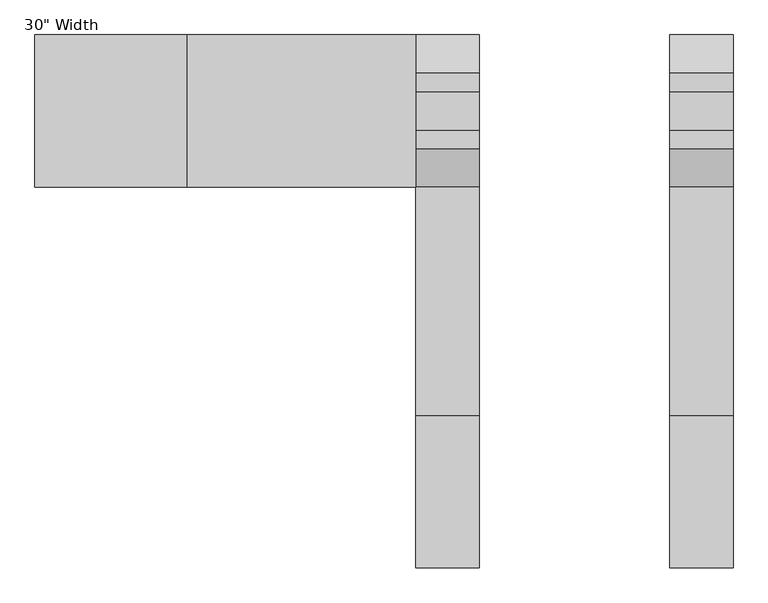
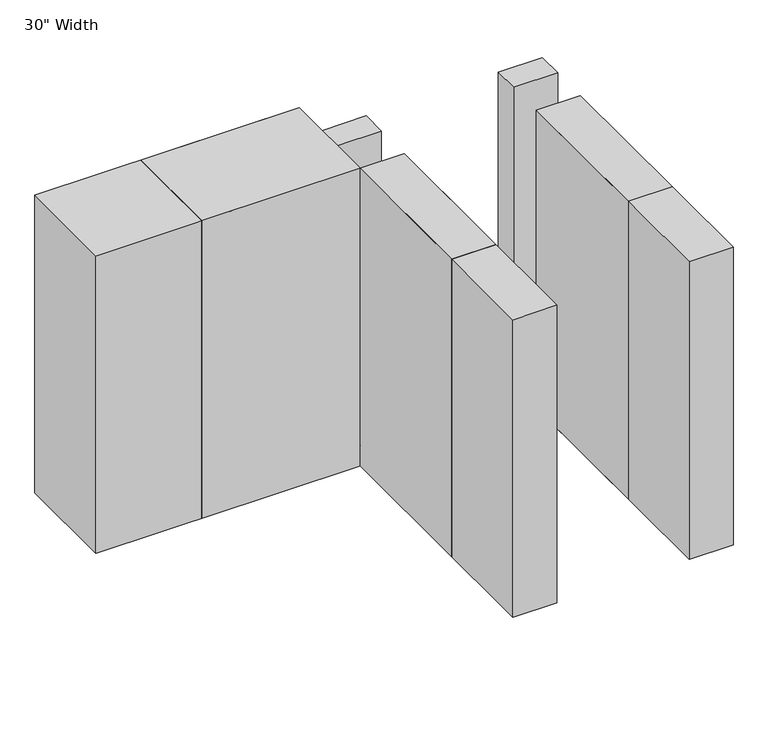
"""IFC4 building model written with IfcOpenShell, lengths in millimetres: proxy geometry."""

import ifcopenshell
import ifcopenshell.guid

model = None  # the IFC model being written
_history = None  # IfcOwnerHistory: only IFC2X3 demands one
_inside = {}  # id of a spatial element -> (the spatial element, [elements in it])
_under = {}  # id of a project, library or spatial element -> (it, [spatial elements below it])
_declared = {}  # id of a project -> (the project, [libraries it declares])
_typed = {}  # id of a type object -> (the type object, [elements of that type])
_made_of = {}  # id of a material, layer set ... -> (it, [elements and type objects made of it])


def new_model(schema):
    """Start an empty IFC model of exactly this schema.

    Asked for "IFC4X3", IfcOpenShell would pick the latest addendum, in which some entities
    have other attributes; the version numbers below select the first issue.
    IFC2X3 requires an IfcOwnerHistory on every rooted entity: one is made here for all.
    """
    global model, _history
    if schema == "IFC4X3":
        model = ifcopenshell.file(schema_version=(4, 3, 0, 0))
    else:
        model = ifcopenshell.file(schema=schema)
    _inside.clear()
    _under.clear()
    _declared.clear()
    _typed.clear()
    _made_of.clear()
    _history = None
    if model.schema == "IFC2X3":
        org = make("IfcOrganization", Name="unknown")
        user = make(
            "IfcPersonAndOrganization",
            ThePerson=make("IfcPerson", FamilyName="unknown"),
            TheOrganization=org,
        )
        app = make(
            "IfcApplication",
            ApplicationDeveloper=org,
            Version="unknown",
            ApplicationFullName="unknown",
            ApplicationIdentifier="unknown",
        )
        _history = make(
            "IfcOwnerHistory",
            OwningUser=user,
            OwningApplication=app,
            ChangeAction="ADDED",
            CreationDate=0,
        )
    return model


def make(cls, **values):
    """One entity of the class cls with the attributes given. An attribute that is None is left unset."""
    return model.create_entity(
        cls, **{name: value for name, value in values.items() if value is not None}
    )


def rooted(cls, **values):
    """An entity with a GlobalId (a new one), such as an element, a storey or a relation."""
    return make(cls, GlobalId=ifcopenshell.guid.new(), OwnerHistory=_history, **values)


def si_unit(unit_type, name, prefix=None):
    """IfcSIUnit, for example si_unit("LENGTHUNIT", "METRE", prefix="MILLI")."""
    return make("IfcSIUnit", UnitType=unit_type, Prefix=prefix, Name=name)


def assignment(units):
    """IfcUnitAssignment: the units of a project."""
    return None if units is None else make("IfcUnitAssignment", Units=units)


def point(xyz):
    """IfcCartesianPoint."""
    return None if xyz is None else make("IfcCartesianPoint", Coordinates=xyz)


def direction(xyz):
    """IfcDirection."""
    return None if xyz is None else make("IfcDirection", DirectionRatios=xyz)


def frame(location, z_axis=None, x_axis=None):
    """IfcAxis2Placement3D, a coordinate frame: its origin and axes. An axis left out is left unset."""
    return make(
        "IfcAxis2Placement3D",
        Location=point(location),
        Axis=direction(z_axis),
        RefDirection=direction(x_axis),
    )


def origin():
    """The frame at (0, 0, 0) with its axes left unset."""
    return frame((0.0, 0.0, 0.0))


def origin_with_axes():
    """The frame at (0, 0, 0) with the z axis (0, 0, 1) and the x axis (1, 0, 0) written out."""
    return frame((0.0, 0.0, 0.0), z_axis=(0.0, 0.0, 1.0), x_axis=(1.0, 0.0, 0.0))


def place(relative_to, where):
    """IfcLocalPlacement: puts the frame where relative to a parent placement (None: the world)."""
    return make(
        "IfcLocalPlacement", PlacementRelTo=relative_to, RelativePlacement=where
    )


def context(
    kind, dimensions, precision=None, world=None, true_north=None, identifier=None
):
    """IfcGeometricRepresentationContext, for example the 3D "Model" context."""
    return make(
        "IfcGeometricRepresentationContext",
        ContextIdentifier=identifier,
        ContextType=kind,
        CoordinateSpaceDimension=dimensions,
        Precision=precision,
        WorldCoordinateSystem=world,
        TrueNorth=true_north,
    )


def project(units=None, contexts=None):
    """IfcProject with its units and contexts."""
    return rooted(
        "IfcProject",
        Name="project",
        RepresentationContexts=contexts,
        UnitsInContext=assignment(units),
    )


def spatial(cls, under=None, at=None, **own):
    """A site, building, storey or space (cls), placed at a placement, below another one or the project."""
    s = rooted(cls, ObjectPlacement=at, **own)
    if under is not None:
        _under.setdefault(under.id(), (under, []))[1].append(s)
    return s


def polyline(points):
    """IfcPolyline through the points."""
    return make("IfcPolyline", Points=[point(p) for p in points])


def outline(outer, holes=None, kind="AREA"):
    """IfcArbitraryClosedProfileDef: a profile drawn as a closed curve; with holes, ...WithVoids."""
    if holes is None:
        return make("IfcArbitraryClosedProfileDef", ProfileType=kind, OuterCurve=outer)
    return make(
        "IfcArbitraryProfileDefWithVoids",
        ProfileType=kind,
        OuterCurve=outer,
        InnerCurves=holes,
    )


def extrude(swept, where, along, depth):
    """IfcExtrudedAreaSolid: the profile swept, set in the frame where, extruded along a direction by depth."""
    return make(
        "IfcExtrudedAreaSolid",
        SweptArea=swept,
        Position=where,
        ExtrudedDirection=direction(along),
        Depth=depth,
    )


def shape(context_of_items, identifier, shape_type, items):
    """IfcShapeRepresentation: the items that make up one representation, for example the "Body"."""
    return make(
        "IfcShapeRepresentation",
        ContextOfItems=context_of_items,
        RepresentationIdentifier=identifier,
        RepresentationType=shape_type,
        Items=items,
    )


def source(mapping_origin, context_of_items, identifier, shape_type, items):
    """IfcRepresentationMap: a shape defined once, which mapped items show again and again."""
    return make(
        "IfcRepresentationMap",
        MappingOrigin=mapping_origin,
        MappedRepresentation=shape(context_of_items, identifier, shape_type, items),
    )


def transform(
    local_origin,
    x_axis=None,
    y_axis=None,
    z_axis=None,
    scale=None,
    scale2=None,
    scale3=None,
    uniform=True,
):
    """IfcCartesianTransformationOperator3D, or its non-uniform kind. x_axis, y_axis, z_axis: its Axis1, 2, 3."""
    if uniform:
        return make(
            "IfcCartesianTransformationOperator3D",
            Axis1=direction(x_axis),
            Axis2=direction(y_axis),
            LocalOrigin=point(local_origin),
            Scale=scale,
            Axis3=direction(z_axis),
        )
    return make(
        "IfcCartesianTransformationOperator3DnonUniform",
        Axis1=direction(x_axis),
        Axis2=direction(y_axis),
        LocalOrigin=point(local_origin),
        Scale=scale,
        Axis3=direction(z_axis),
        Scale2=scale2,
        Scale3=scale3,
    )


def mapped(mapping_source, mapping_target):
    """IfcMappedItem: shows the shape of a source again, moved by a transform."""
    return make(
        "IfcMappedItem", MappingSource=mapping_source, MappingTarget=mapping_target
    )


def made_of(thing, what):
    """Note that an element or type object is made of a material, layer set ...; save() writes the relation."""
    if what is not None:
        _made_of.setdefault(what.id(), (what, []))[1].append(thing)
    return thing


def element(
    cls,
    number,
    at=None,
    inside=None,
    cuts=None,
    type_object=None,
    material=None,
    context=None,
    identifier="Body",
    shape_type=None,
    held_by="IfcProductDefinitionShape",
    body=None,
    shapes=None,
    **own,
):
    """One element of the class cls, such as IfcWall. Its Tag is "e" and its number.

    at: its placement. inside: the storey or other place that contains it. cuts: it is an
    opening in that element (IfcRelVoidsElement). A single representation is given by context,
    identifier, shape_type and body (its items); several are given by shapes. held_by: the class
    of the entity that holds the representations. save() writes the other relations.
    """
    e = rooted(cls, Tag="e%d" % number, ObjectPlacement=at, **own)
    if body is not None:
        shapes = [shape(context, identifier, shape_type, body)]
    if shapes is not None:
        e.Representation = make(held_by, Representations=shapes)
    if inside is not None:
        _inside.setdefault(inside.id(), (inside, []))[1].append(e)
    if cuts is not None:
        rooted(
            "IfcRelVoidsElement", RelatingBuildingElement=cuts, RelatedOpeningElement=e
        )
    if type_object is not None:
        _typed.setdefault(type_object.id(), (type_object, []))[1].append(e)
    return made_of(e, material)


def aggregate(whole, parts):
    """IfcRelAggregates: a whole, such as a stair, and the parts it consists of."""
    return rooted("IfcRelAggregates", RelatingObject=whole, RelatedObjects=parts)


def save(model, path):
    """Write the relations noted so far, then the file.

    IfcRelAggregates (storeys below a building ...), IfcRelContainedInSpatialStructure (elements
    in a storey), IfcRelDefinesByType, IfcRelAssociatesMaterial and IfcRelDeclares: one each for
    every whole, place, type object, material and project.
    """
    for whole, parts in _under.values():
        aggregate(whole, parts)
    for where, things in _inside.values():
        rooted(
            "IfcRelContainedInSpatialStructure",
            RelatedElements=things,
            RelatingStructure=where,
        )
    for kind, things in _typed.values():
        rooted("IfcRelDefinesByType", RelatedObjects=things, RelatingType=kind)
    for what, things in _made_of.values():
        rooted("IfcRelAssociatesMaterial", RelatedObjects=things, RelatingMaterial=what)
    for by, libraries in _declared.values():
        rooted("IfcRelDeclares", RelatingContext=by, RelatedDefinitions=libraries)
    model.write(path)


def proxy_b604c07f(model_context):
    return source(origin(), model_context, "Body", "SweptSolid", [
        extrude(outline(polyline([(381.0, -1219.2), (381.0, -304.8), (635.0, -304.8), (635.0, -1219.2), (381.0, -1219.2)])), origin_with_axes(), (0.0, 0.0, 1.0), 1816.1),
        extrude(outline(polyline([(-381.0, -1219.2), (-635.0, -1219.2), (-635.0, -304.8), (-381.0, -304.8), (-381.0, -1219.2)])), origin_with_axes(), (0.0, 0.0, 1.0), 1816.1),
        extrude(outline(polyline([(-1549.4, 304.8), (-635.0, 304.8), (-635.0, -304.8), (-1549.4, -304.8), (-1549.4, 304.8)])), origin_with_axes(), (0.0, 0.0, 1.0), 1816.1),
        extrude(outline(polyline([(-2159.0, 304.8), (-635.0, 304.8), (-635.0, -304.8), (-2159.0, -304.8), (-2159.0, 304.8)])), origin_with_axes(), (0.0, 0.0, 1.0), 1816.1),
        extrude(outline(polyline([(381.0, -1828.8), (381.0, -304.8), (635.0, -304.8), (635.0, -1828.8), (381.0, -1828.8)])), origin_with_axes(), (0.0, 0.0, 1.0), 1816.1),
        extrude(outline(polyline([(-381.0, -1828.8), (-635.0, -1828.8), (-635.0, -304.8), (-381.0, -304.8), (-381.0, -1828.8)])), origin_with_axes(), (0.0, 0.0, 1.0), 1816.1),
        extrude(outline(polyline([(-381.0, 76.2), (-381.0, -76.2), (-635.0, -76.2), (-635.0, 76.2), (-381.0, 76.2)])), frame((0.0, 0.0, 254.0), z_axis=(0.0, 0.0, 1.0), x_axis=(1.0, 0.0, 0.0)), (0.0, 0.0, 1.0), 1562.1),
        extrude(outline(polyline([(-153.4472937, 254.0), (153.4472937, 254.0), (304.8, 127.0), (304.8, 0.0), (-304.8, 0.0), (-304.8, 127.0), (-153.4472937, 254.0)])), frame((-635.0, 0.0, 0.0), z_axis=(1.0, 0.0, 0.0), x_axis=(0.0, 1.0, 0.0)), (0.0, 0.0, 1.0), 254.0),
        extrude(outline(polyline([(-153.4472937, 254.0), (153.4472937, 254.0), (304.8, 127.0), (304.8, 0.0), (-304.8, 0.0), (-304.8, 127.0), (-153.4472937, 254.0)])), frame((381.0, 0.0, 0.0), z_axis=(1.0, 0.0, 0.0), x_axis=(0.0, 1.0, 0.0)), (0.0, 0.0, 1.0), 254.0),
        extrude(outline(polyline([(381.0, 76.2), (635.0, 76.2), (635.0, -76.2), (381.0, -76.2), (381.0, 76.2)])), frame((0.0, 0.0, 254.0), z_axis=(0.0, 0.0, 1.0), x_axis=(1.0, 0.0, 0.0)), (0.0, 0.0, 1.0), 1562.1),
    ])


if __name__ == "__main__":
    model = new_model("IFC4")
    model_context = context("Model", 3, world=origin())
    ifc_project = project(units=[si_unit("LENGTHUNIT", "METRE", prefix="MILLI")], contexts=[model_context])
    site = spatial("IfcSite", under=ifc_project)
    building = spatial("IfcBuilding", under=site)
    placement = place(None, origin())
    proxy_shape = proxy_b604c07f(model_context)
    element("IfcBuildingElementProxy", 1, Name="30\" Width", ObjectType="30\" Width", at=placement, inside=building, context=model_context, shape_type="MappedRepresentation", body=[
        mapped(proxy_shape, transform((0.0, 0.0, 0.0), x_axis=(1.0, 0.0, 0.0), y_axis=(0.0, 1.0, 0.0), z_axis=(0.0, 0.0, 1.0))),
    ])
    save(model, "model.ifc")
